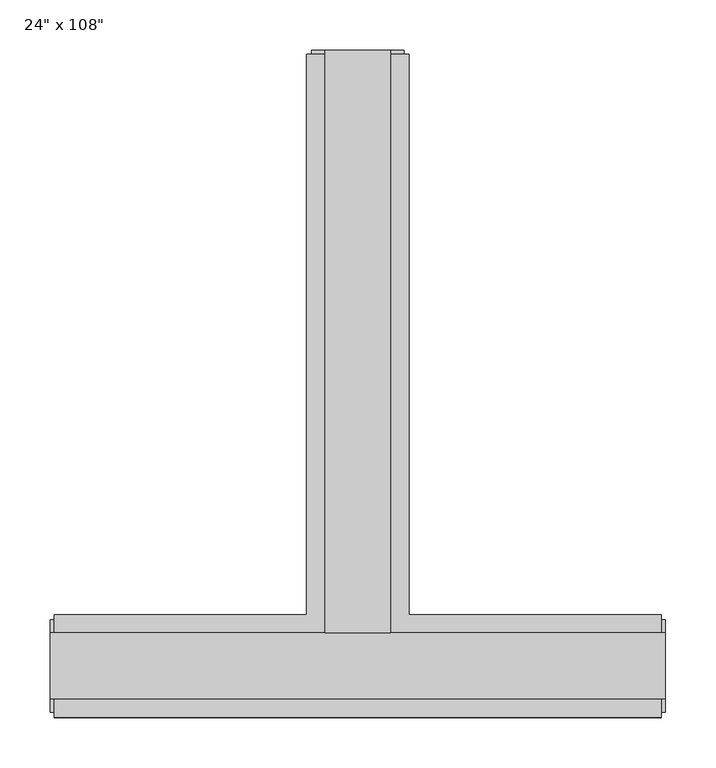
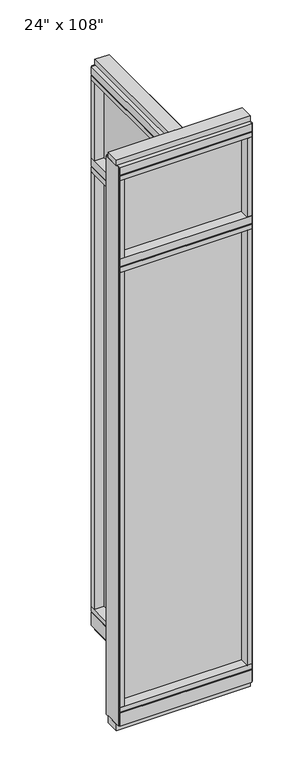
"""IFC4 building model written with IfcOpenShell, lengths in millimetres: furniture geometry."""

from ifc_helpers import new_model, si_unit, frame, origin, origin_with_axes, place, context, project, spatial, polyline, outline, extrude, faceted_brep, source, transform, mapped, element, save


def furniture_5e099a36(model_context):
    return source(origin(), model_context, "Body", "SolidModel", [
        extrude(outline(polyline([(-65.1165229, 0.5622784), (-65.1165229, 578.9202784), (-54.9565229, 578.9202784), (-54.9565229, 0.5622784), (-65.1165229, 0.5622784)])), frame((0.0, 0.0, 2276.475), z_axis=(0.0, 0.0, 1.0), x_axis=(1.0, 0.0, 0.0)), (0.0, 0.0, 1.0), 355.6),
        extrude(outline(polyline([(218.6014771, -9.5977216), (-338.6745229, -9.5977216), (-338.6745229, 0.5622784), (218.6014771, 0.5622784), (218.6014771, -9.5977216)])), frame((0.0, 0.0, 2276.475), z_axis=(0.0, 0.0, 1.0), x_axis=(1.0, 0.0, 0.0)), (0.0, 0.0, 1.0), 355.6),
        extrude(outline(polyline([(-65.1165229, 0.5622784), (-65.1165229, 578.9202784), (-54.9565229, 578.9202784), (-54.9565229, 0.5622784), (-65.1165229, 0.5622784)])), frame((0.0, 0.0, 120.65), z_axis=(0.0, 0.0, 1.0), x_axis=(1.0, 0.0, 0.0)), (0.0, 0.0, 1.0), 2114.677),
        extrude(outline(polyline([(218.6014771, -9.5977216), (-338.6745229, -9.5977216), (-338.6745229, 0.5622784), (218.6014771, 0.5622784), (218.6014771, -9.5977216)])), frame((0.0, 0.0, 120.523), z_axis=(0.0, 0.0, 1.0), x_axis=(1.0, 0.0, 0.0)), (0.0, 0.0, 1.0), 2114.677),
        extrude(outline(polyline([(-110.8365229, 601.1452784), (-9.2365229, 601.1452784), (-9.2365229, 46.2822784), (240.8264771, 46.2822784), (240.8264771, -55.3177216), (-360.8995229, -55.3177216), (-360.8995229, 46.2822784), (-110.8365229, 46.2822784), (-110.8365229, 601.1452784)])), frame((0.0, 0.0, 2654.3), z_axis=(0.0, 0.0, 1.0), x_axis=(1.0, 0.0, 0.0)), (0.0, 0.0, 1.0), 22.225),
        faceted_brep([(-105.8835229, 46.2822784, 2681.478), (-105.8835229, 46.2822784, 2676.525), (-14.1895229, 46.2822784, 2676.525), (-14.1895229, 46.2822784, 2681.478), (-9.2365229, 601.1452784, 2681.478), (-14.1895229, 601.1452784, 2681.478), (-14.1895229, 601.1452784, 2676.525), (-105.8835229, 601.1452784, 2676.525), (-105.8835229, 601.1452784, 2681.478), (-110.8365229, 601.1452784, 2681.478), (-110.8365229, 601.1452784, 2717.8), (-9.2365229, 601.1452784, 2717.8), (-9.2365229, 46.2822784, 2681.478), (240.8264771, 46.2822784, 2681.478), (240.8264771, 41.3292784, 2681.478), (-360.8995229, 41.3292784, 2681.478), (-360.8995229, 46.2822784, 2681.478), (-110.8365229, 46.2822784, 2681.478), (-110.8365229, 46.2822784, 2717.8), (-360.8995229, 46.2822784, 2717.8), (-360.8995229, -55.3177216, 2717.8), (240.8264771, -55.3177216, 2717.8), (240.8264771, 46.2822784, 2717.8), (-9.2365229, 46.2822784, 2717.8), (-360.8995229, -55.3177216, 2681.478), (-360.8995229, 41.3292784, 2676.525), (-360.8995229, -50.3647216, 2676.525), (-360.8995229, -50.3647216, 2681.478), (240.8264771, -55.3177216, 2681.478), (240.8264771, -50.3647216, 2681.478), (240.8264771, -50.3647216, 2676.525), (240.8264771, 41.3292784, 2676.525)], [[[0, 1, 2, 3]], [[4, 5, 6, 7, 8, 9, 10, 11]], [[5, 4, 12, 13, 14, 15, 16, 17, 9, 8, 0, 3]], [[3, 2, 6, 5]], [[2, 1, 7, 6]], [[1, 0, 8, 7]], [[10, 9, 17, 18]], [[11, 10, 18, 19, 20, 21, 22, 23]], [[4, 11, 23, 12]], [[24, 20, 19, 16, 15, 25, 26, 27]], [[28, 29, 30, 31, 14, 13, 22, 21]], [[24, 27, 29, 28]], [[16, 19, 18, 17]], [[22, 13, 12, 23]], [[20, 24, 28, 21]], [[25, 15, 14, 31]], [[26, 25, 31, 30]], [[27, 26, 30, 29]]]),
        extrude(outline(polyline([(-110.8365229, 601.1452784), (-9.2365229, 601.1452784), (-9.2365229, 46.2822784), (240.8264771, 46.2822784), (240.8264771, -55.3177216), (-360.8995229, -55.3177216), (-360.8995229, 46.2822784), (-110.8365229, 46.2822784), (-110.8365229, 601.1452784)])), frame((0.0, 0.0, 2212.975), z_axis=(0.0, 0.0, 1.0), x_axis=(1.0, 0.0, 0.0)), (0.0, 0.0, 1.0), 22.225),
        faceted_brep([(-105.8835229, 46.2822784, 2240.153), (-105.8835229, 46.2822784, 2235.2), (-14.1895229, 46.2822784, 2235.2), (-14.1895229, 46.2822784, 2240.153), (-9.2365229, 601.1452784, 2240.153), (-14.1895229, 601.1452784, 2240.153), (-14.1895229, 601.1452784, 2235.2), (-105.8835229, 601.1452784, 2235.2), (-105.8835229, 601.1452784, 2240.153), (-110.8365229, 601.1452784, 2240.153), (-110.8365229, 601.1452784, 2276.475), (-9.2365229, 601.1452784, 2276.475), (-9.2365229, 46.2822784, 2240.153), (240.8264771, 46.2822784, 2240.153), (240.8264771, 41.3292784, 2240.153), (-360.8995229, 41.3292784, 2240.153), (-360.8995229, 46.2822784, 2240.153), (-110.8365229, 46.2822784, 2240.153), (-110.8365229, 46.2822784, 2276.475), (-360.8995229, 46.2822784, 2276.475), (-360.8995229, -55.3177216, 2276.475), (240.8264771, -55.3177216, 2276.475), (240.8264771, 46.2822784, 2276.475), (-9.2365229, 46.2822784, 2276.475), (-360.8995229, -55.3177216, 2240.153), (-360.8995229, 41.3292784, 2235.2), (-360.8995229, -50.3647216, 2235.2), (-360.8995229, -50.3647216, 2240.153), (240.8264771, -55.3177216, 2240.153), (240.8264771, -50.3647216, 2240.153), (240.8264771, -50.3647216, 2235.2), (240.8264771, 41.3292784, 2235.2)], [[[0, 1, 2, 3]], [[4, 5, 6, 7, 8, 9, 10, 11]], [[5, 4, 12, 13, 14, 15, 16, 17, 9, 8, 0, 3]], [[3, 2, 6, 5]], [[2, 1, 7, 6]], [[1, 0, 8, 7]], [[10, 9, 17, 18]], [[11, 10, 18, 19, 20, 21, 22, 23]], [[4, 11, 23, 12]], [[24, 20, 19, 16, 15, 25, 26, 27]], [[28, 29, 30, 31, 14, 13, 22, 21]], [[24, 27, 29, 28]], [[27, 26, 30, 29]], [[26, 25, 31, 30]], [[25, 15, 14, 31]], [[16, 19, 18, 17]], [[22, 13, 12, 23]], [[20, 24, 28, 21]]]),
        faceted_brep([(-14.1895229, 46.2822784, 93.345), (-14.1895229, 46.2822784, 98.298), (-105.8835229, 46.2822784, 98.298), (-105.8835229, 46.2822784, 93.345), (-9.2365229, 601.1452784, 93.345), (-9.2365229, 601.1452784, 31.75), (-110.8365229, 601.1452784, 31.75), (-110.8365229, 601.1452784, 93.345), (-105.8835229, 601.1452784, 93.345), (-105.8835229, 601.1452784, 98.298), (-14.1895229, 601.1452784, 98.298), (-14.1895229, 601.1452784, 93.345), (-110.8365229, 46.2822784, 93.345), (-360.8995229, 46.2822784, 93.345), (-360.8995229, 41.3292784, 93.345), (240.8264771, 41.3292784, 93.345), (240.8264771, 46.2822784, 93.345), (-9.2365229, 46.2822784, 93.345), (-110.8365229, 46.2822784, 31.75), (-9.2365229, 46.2822784, 31.75), (240.8264771, 46.2822784, 31.75), (240.8264771, -55.3177216, 31.75), (-360.8995229, -55.3177216, 31.75), (-360.8995229, 46.2822784, 31.75), (240.8264771, -55.3177216, 93.345), (240.8264771, 41.3292784, 98.298), (240.8264771, -50.3647216, 98.298), (240.8264771, -50.3647216, 93.345), (-360.8995229, -55.3177216, 93.345), (-360.8995229, -50.3647216, 93.345), (-360.8995229, -50.3647216, 98.298), (-360.8995229, 41.3292784, 98.298)], [[[0, 1, 2, 3]], [[4, 5, 6, 7, 8, 9, 10, 11]], [[4, 11, 0, 3, 8, 7, 12, 13, 14, 15, 16, 17]], [[1, 0, 11, 10]], [[2, 1, 10, 9]], [[3, 2, 9, 8]], [[7, 6, 18, 12]], [[6, 5, 19, 20, 21, 22, 23, 18]], [[5, 4, 17, 19]], [[24, 21, 20, 16, 15, 25, 26, 27]], [[28, 29, 30, 31, 14, 13, 23, 22]], [[24, 27, 29, 28]], [[16, 20, 19, 17]], [[23, 13, 12, 18]], [[21, 24, 28, 22]], [[25, 15, 14, 31]], [[26, 25, 31, 30]], [[27, 26, 30, 29]]]),
        extrude(outline(polyline([(-110.8365229, 601.1452784), (-9.2365229, 601.1452784), (-9.2365229, 46.2822784), (240.8264771, 46.2822784), (240.8264771, -55.3177216), (-360.8995229, -55.3177216), (-360.8995229, 46.2822784), (-110.8365229, 46.2822784), (-110.8365229, 601.1452784)])), frame((0.0, 0.0, 98.298), z_axis=(0.0, 0.0, 1.0), x_axis=(1.0, 0.0, 0.0)), (0.0, 0.0, 1.0), 22.225),
        extrude(outline(polyline([(-9.2365229, 601.1452784), (-9.2365229, 578.9202784), (-110.8365229, 578.9202784), (-110.8365229, 601.1452784), (-9.2365229, 601.1452784)])), frame((0.0, 0.0, 2276.475), z_axis=(0.0, 0.0, 1.0), x_axis=(1.0, 0.0, 0.0)), (0.0, 0.0, 1.0), 377.825),
        extrude(outline(polyline([(218.6014771, -55.3177216), (218.6014771, 46.2822784), (240.8264771, 46.2822784), (240.8264771, -55.3177216), (218.6014771, -55.3177216)])), frame((0.0, 0.0, 2276.475), z_axis=(0.0, 0.0, 1.0), x_axis=(1.0, 0.0, 0.0)), (0.0, 0.0, 1.0), 377.825),
        extrude(outline(polyline([(-338.6745229, -55.3177216), (-360.8995229, -55.3177216), (-360.8995229, 46.2822784), (-338.6745229, 46.2822784), (-338.6745229, -55.3177216)])), frame((0.0, 0.0, 2276.475), z_axis=(0.0, 0.0, 1.0), x_axis=(1.0, 0.0, 0.0)), (0.0, 0.0, 1.0), 377.825),
        extrude(outline(polyline([(-27.5245229, 27.9942784), (-92.5485229, 27.9942784), (-92.5485229, 605.0822784), (-27.5245229, 605.0822784), (-27.5245229, 27.9942784)])), origin_with_axes(), (0.0, 0.0, 1.0), 31.75),
        extrude(outline(polyline([(-9.2365229, 601.1452784), (-9.2365229, 578.9202784), (-110.8365229, 578.9202784), (-110.8365229, 601.1452784), (-9.2365229, 601.1452784)])), frame((0.0, 0.0, 120.523), z_axis=(0.0, 0.0, 1.0), x_axis=(1.0, 0.0, 0.0)), (0.0, 0.0, 1.0), 2092.452),
        extrude(outline(polyline([(-14.1895229, 605.0822784), (-14.1895229, 601.1452784), (-105.8835229, 601.1452784), (-105.8835229, 605.0822784), (-14.1895229, 605.0822784)])), frame((0.0, 0.0, 31.75), z_axis=(0.0, 0.0, 1.0), x_axis=(1.0, 0.0, 0.0)), (0.0, 0.0, 1.0), 2686.05),
        extrude(outline(polyline([(-27.5245229, 27.9942784), (-92.5485229, 27.9942784), (-92.5485229, 605.0822784), (-27.5245229, 605.0822784), (-27.5245229, 27.9942784)])), frame((0.0, 0.0, 2717.8), z_axis=(0.0, 0.0, 1.0), x_axis=(1.0, 0.0, 0.0)), (0.0, 0.0, 1.0), 25.4),
        extrude(outline(polyline([(244.7634771, 27.9942784), (244.7634771, -37.0297216), (-364.8365229, -37.0297216), (-364.8365229, 27.9942784), (244.7634771, 27.9942784)])), origin_with_axes(), (0.0, 0.0, 1.0), 31.75),
        extrude(outline(polyline([(-364.8365229, -37.0297216), (-364.8365229, 27.9942784), (244.7634771, 27.9942784), (244.7634771, -37.0297216), (-364.8365229, -37.0297216)])), frame((0.0, 0.0, 2717.8), z_axis=(0.0, 0.0, 1.0), x_axis=(1.0, 0.0, 0.0)), (0.0, 0.0, 1.0), 25.4),
        extrude(outline(polyline([(218.6014771, -55.3177216), (218.6014771, 46.2822784), (240.8264771, 46.2822784), (240.8264771, -55.3177216), (218.6014771, -55.3177216)])), frame((0.0, 0.0, 120.523), z_axis=(0.0, 0.0, 1.0), x_axis=(1.0, 0.0, 0.0)), (0.0, 0.0, 1.0), 2092.452),
        extrude(outline(polyline([(-338.6745229, -55.3177216), (-360.8995229, -55.3177216), (-360.8995229, 46.2822784), (-338.6745229, 46.2822784), (-338.6745229, -55.3177216)])), frame((0.0, 0.0, 120.523), z_axis=(0.0, 0.0, 1.0), x_axis=(1.0, 0.0, 0.0)), (0.0, 0.0, 1.0), 2092.452),
        extrude(outline(polyline([(244.7634771, -50.3647216), (240.8264771, -50.3647216), (240.8264771, 41.3292784), (244.7634771, 41.3292784), (244.7634771, -50.3647216)])), frame((0.0, 0.0, 31.75), z_axis=(0.0, 0.0, 1.0), x_axis=(1.0, 0.0, 0.0)), (0.0, 0.0, 1.0), 2686.05),
        extrude(outline(polyline([(-364.8365229, -50.3647216), (-364.8365229, 41.3292784), (-360.8995229, 41.3292784), (-360.8995229, -50.3647216), (-364.8365229, -50.3647216)])), frame((0.0, 0.0, 31.75), z_axis=(0.0, 0.0, 1.0), x_axis=(1.0, 0.0, 0.0)), (0.0, 0.0, 1.0), 2686.05),
    ])


if __name__ == "__main__":
    model = new_model("IFC4")
    model_context = context("Model", 3, world=origin())
    ifc_project = project(units=[si_unit("LENGTHUNIT", "METRE", prefix="MILLI")], contexts=[model_context])
    site = spatial("IfcSite", under=ifc_project)
    building = spatial("IfcBuilding", under=site)
    placement = place(None, origin())
    furniture_shape = furniture_5e099a36(model_context)
    element("IfcFurniture", 1, ObjectType="24\" x 108\"", at=placement, inside=building, context=model_context, shape_type="MappedRepresentation", body=[
        mapped(furniture_shape, transform((0.0, 0.0, 0.0), x_axis=(1.0, 0.0, 0.0), y_axis=(0.0, 1.0, 0.0), z_axis=(0.0, 0.0, 1.0))),
    ])
    save(model, "model.ifc")
